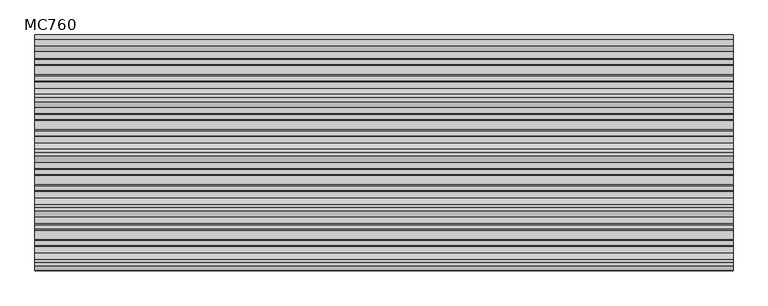
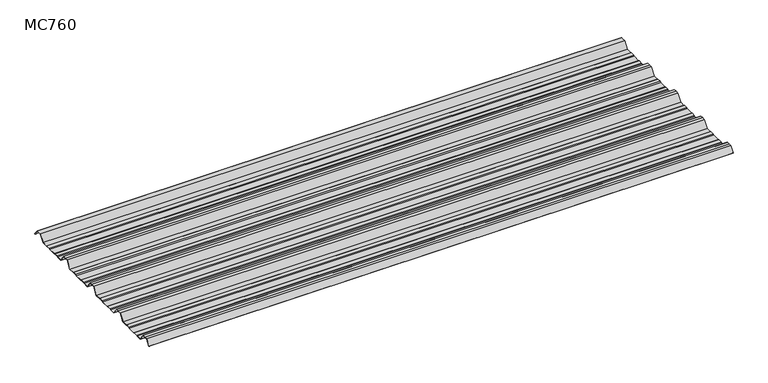
"""IFC4 building model written with IfcOpenShell, lengths in millimetres: beam geometry, MC760."""

from ifc_helpers import new_model, si_unit, point, frame, frame_2d, origin, place, context, project, spatial, polyline, circle_curve, trimmed, segment, composite_curve, outline, extrude, source, transform, mapped, element, save


def mc760_d2efc413(model_context):
    return source(origin(), model_context, "Body", "SweptSolid", [
        extrude(outline(composite_curve([segment(polyline([(-157.5000859, -25.7896475), (-178.0745114, 2.2103525), (-190.0, 2.2103525), (-201.9254886, 2.2103525), (-222.4999141, -25.7896475), (-245.1975582, -25.7896475), (-248.4126024, -23.7494212), (-264.8405937, -23.7494212), (-269.2209114, -25.7896475), (-300.7790886, -25.7896475), (-305.1594063, -23.7494212), (-321.5873976, -23.7494212), (-324.8024418, -25.7896475), (-347.5000859, -25.7896475), (-368.0745114, 2.2103525), (-380.0, 2.2103525), (-391.9254886, 2.2103525), (-412.4999141, -25.7896475), (-435.1975582, -25.7896475), (-438.4126024, -23.7494212), (-454.8405937, -23.7494212), (-459.2209114, -25.7896475), (-490.7790886, -25.7896475), (-495.1594063, -23.7494212), (-511.5873976, -23.7494212), (-514.8024418, -25.7896475), (-537.5000859, -25.7896475), (-558.0745114, 2.2103525), (-570.0, 2.2103525), (-581.9254886, 2.2103525), (-602.4999141, -25.7896475), (-625.1975582, -25.7896475), (-628.4126024, -23.7494212), (-644.8405937, -23.7494212), (-649.2209114, -25.7896475), (-680.7790886, -25.7896475), (-685.1594063, -23.7494212), (-701.5873976, -23.7494212), (-704.8024418, -25.7896475), (-727.5000859, -25.7896475), (-748.0745114, 2.2103525), (-760.0, 2.2103525), (-771.9254886, 2.2103525), (-787.4770979, -18.9540324)]), True, "CONTINUOUS"), segment(trimmed(circle_curve(frame_2d((-787.9022179, -18.6416538)), 0.5275485), [point((-787.4770979, -18.9540324))], [point((-788.327338, -18.3292752))], False, "CARTESIAN"), True, "CONTINUOUS"), segment(polyline([(-788.327338, -18.3292752), (-772.5, 3.2103525), (-760.0, 3.2103525), (-747.5, 3.2103525), (-726.9255746, -24.7896475), (-705.0929563, -24.7896475), (-701.8779121, -22.7494212), (-684.9379428, -22.7494212), (-680.5576251, -24.7896475), (-649.4423749, -24.7896475), (-645.0620572, -22.7494212), (-628.1220879, -22.7494212), (-624.9070437, -24.7896475), (-603.0744254, -24.7896475), (-582.5, 3.2103525), (-570.0, 3.2103525), (-557.5, 3.2103525), (-536.9255746, -24.7896475), (-515.0929563, -24.7896475), (-511.8779121, -22.7494212), (-494.9379428, -22.7494212), (-490.5576251, -24.7896475), (-459.4423749, -24.7896475), (-455.0620572, -22.7494212), (-438.1220879, -22.7494212), (-434.9070437, -24.7896475), (-413.0744254, -24.7896475), (-392.5, 3.2103525), (-380.0, 3.2103525), (-367.5, 3.2103525), (-346.9255746, -24.7896475), (-325.0929563, -24.7896475), (-321.8779121, -22.7494212), (-304.9379428, -22.7494212), (-300.5576251, -24.7896475), (-269.4423749, -24.7896475), (-265.0620572, -22.7494212), (-248.1220879, -22.7494212), (-244.9070437, -24.7896475), (-223.0744254, -24.7896475), (-202.5, 3.2103525), (-190.0, 3.2103525), (-177.5, 3.2103525), (-156.9255746, -24.7896475), (-135.0929563, -24.7896475), (-131.8779121, -22.7494212), (-114.9379428, -22.7494212), (-110.5576251, -24.7896475), (-79.4423749, -24.7896475), (-75.0620572, -22.7494212), (-58.1220879, -22.7494212), (-54.9070437, -24.7896475), (-30.524173, -24.7896475), (-11.4193494, 1.2103525), (11.4193494, 1.2103525), (27.9327415, -21.262935)]), True, "CONTINUOUS"), segment(trimmed(circle_curve(frame_2d((27.5298212, -21.5590012)), 0.5), [point((27.9327415, -21.262935))], [point((27.1269009, -21.8550675))], False, "CARTESIAN"), True, "CONTINUOUS"), segment(polyline([(27.1269009, -21.8550675), (10.9132102, 0.2103525), (-10.9132102, 0.2103525), (-30.0180338, -25.7896475), (-55.1975582, -25.7896475), (-58.4126024, -23.7494212), (-74.8405937, -23.7494212), (-79.2209114, -25.7896475), (-110.7790886, -25.7896475), (-115.1594063, -23.7494212), (-131.5873976, -23.7494212), (-134.8024418, -25.7896475), (-157.5000859, -25.7896475)]), True, "CONTINUOUS")], self_intersect=False)), frame((-1208.051614, 0.0, 0.0), z_axis=(1.0, 0.0, 0.0), x_axis=(0.0, 1.0, 0.0)), (0.0, 0.0, 1.0), 2416.1032281),
    ])


if __name__ == "__main__":
    model = new_model("IFC4")
    model_context = context("Model", 3, world=origin())
    ifc_project = project(units=[si_unit("LENGTHUNIT", "METRE", prefix="MILLI")], contexts=[model_context])
    site = spatial("IfcSite", under=ifc_project)
    building = spatial("IfcBuilding", under=site)
    placement = place(None, origin())
    mc760_shape = mc760_d2efc413(model_context)
    element("IfcBeam", 1, ObjectType="MC760", at=placement, inside=building, context=model_context, shape_type="MappedRepresentation", body=[
        mapped(mc760_shape, transform((0.0, 0.0, 0.0), x_axis=(1.0, 0.0, 0.0), y_axis=(0.0, 1.0, 0.0), z_axis=(0.0, 0.0, 1.0))),
    ])
    save(model, "model.ifc")
